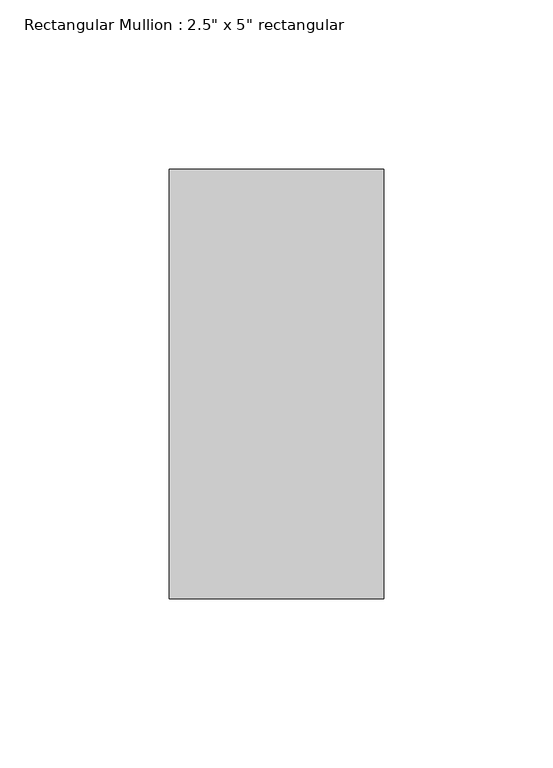
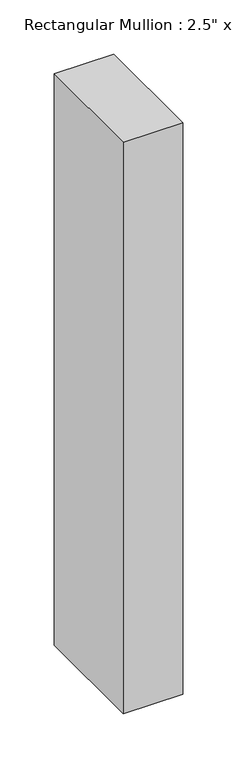
"""IFC4 building model written with IfcOpenShell, lengths in millimetres: member geometry."""

from ifc_helpers import new_model, si_unit, frame, origin, place, context, project, spatial, polyline, outline, extrude, source, transform, mapped, element, save


def member_206aac48(model_context):
    return source(origin(), model_context, "Body", "SweptSolid", [
        extrude(outline(polyline([(0.0, 63.5), (0.0, -63.5), (-63.5, -63.5), (-63.5, 63.5), (0.0, 63.5)])), frame((0.0, 0.0, -643.4666667), z_axis=(0.0, 0.0, 1.0), x_axis=(1.0, 0.0, 0.0)), (0.0, 0.0, 1.0), 643.4666667),
    ])


if __name__ == "__main__":
    model = new_model("IFC4")
    model_context = context("Model", 3, world=origin())
    ifc_project = project(units=[si_unit("LENGTHUNIT", "METRE", prefix="MILLI")], contexts=[model_context])
    site = spatial("IfcSite", under=ifc_project)
    building = spatial("IfcBuilding", under=site)
    placement = place(None, origin())
    member_shape = member_206aac48(model_context)
    element("IfcMember", 1, ObjectType="Rectangular Mullion : 2.5\" x 5\" rectangular", at=placement, inside=building, context=model_context, shape_type="MappedRepresentation", body=[
        mapped(member_shape, transform((0.0, 0.0, 0.0), x_axis=(1.0, 0.0, 0.0), y_axis=(0.0, 1.0, 0.0), z_axis=(0.0, 0.0, 1.0))),
    ])
    save(model, "model.ifc")
